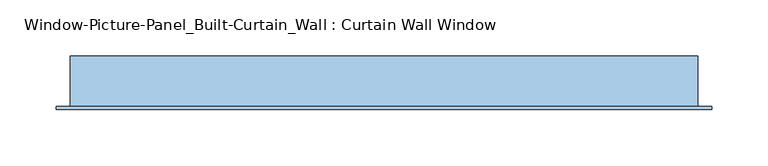
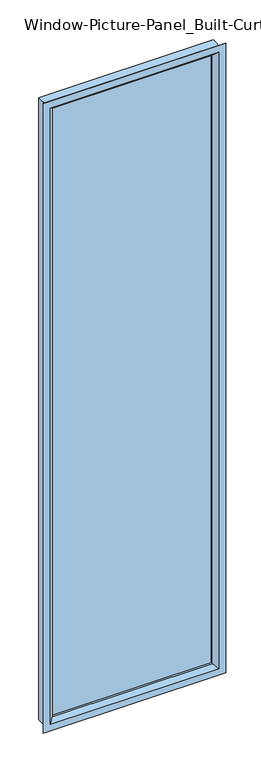
"""IFC4 building model written with IfcOpenShell, lengths in millimetres: window geometry, Window-Picture-Panel_Built-Curtain_Wall : Curtain Wall Window."""

from ifc_helpers import new_model, si_unit, frame, origin, place, context, project, spatial, polyline, outline, extrude, faceted_brep, source, transform, mapped, element, save


def window_picture_panel_built_curtain_wall_curtain_wall_window_ada8a2e5(model_context):
    return source(origin(), model_context, "Body", "SolidModel", [
        extrude(outline(polyline([(266.7, -32.9044336), (-266.7, -32.9044336), (-266.7, -26.5544336), (266.7, -26.5544336), (266.7, -32.9044336)])), frame((0.0, 0.0, 12.7), z_axis=(0.0, 0.0, 1.0), x_axis=(1.0, 0.0, 0.0)), (0.0, 0.0, 1.0), 2082.8),
        faceted_brep([(-279.4, -5.5372, 2108.2), (-279.4, -5.5372, 0.0), (-279.4, -50.8, 0.0), (-279.4, -50.8, 2108.2), (-292.1, -50.8, -12.7), (-292.1, -50.8, 2120.9), (292.1, -50.8, 2120.9), (292.1, -50.8, -12.7), (279.4, -50.8, 0.0), (279.4, -50.8, 2108.2), (279.4, -5.5372, 0.0), (279.4, -5.5372, 2108.2), (-257.1839566, -5.5372, 2085.9839566), (-257.1839566, -5.5372, 22.2160434), (257.1839566, -5.5372, 22.2160434), (257.1839566, -5.5372, 2085.9839566), (-257.1839566, -26.5544336, 2085.9839566), (-257.1839566, -26.5544336, 22.2160434), (257.1839566, -26.5544336, 22.2160434), (-266.7, -26.5544336, 2095.5), (-266.7, -26.5544336, 12.7), (266.7, -26.5544336, 12.7), (266.7, -26.5544336, 2095.5), (257.1839566, -26.5544336, 2085.9839566), (-266.7, -32.9044336, 2095.5), (-266.7, -32.9044336, 12.7), (266.7, -32.9044336, 12.7), (266.7, -32.9044336, 2095.5), (-257.1839566, -32.9044336, 2085.9839566), (-257.1839566, -32.9044336, 22.2160434), (257.1839566, -32.9044336, 22.2160434), (257.1839566, -32.9044336, 2085.9839566), (-257.1839566, -40.4712173, 2085.9839566), (-257.1839566, -40.4712173, 22.2160434), (257.1839566, -40.4712173, 22.2160434), (-269.9149799, -53.1622, 2098.7149799), (-269.9149799, -53.1622, 9.4850201), (269.9149799, -53.1622, 9.4850201), (-292.1, -53.1622, 2120.9), (-292.1, -53.1622, -12.7), (292.1, -53.1622, -12.7), (292.1, -53.1622, 2120.9), (269.9149799, -53.1622, 2098.7149799), (257.1839566, -40.4712173, 2085.9839566)], [[[0, 1, 2, 3]], [[4, 5, 6, 7], [3, 2, 8, 9]], [[1, 10, 8, 2]], [[1, 0, 11, 10], [12, 13, 14, 15]], [[16, 17, 13, 12]], [[17, 18, 14, 13]], [[19, 20, 21, 22], [17, 16, 23, 18]], [[24, 25, 20, 19]], [[25, 26, 21, 20]], [[25, 24, 27, 26], [28, 29, 30, 31]], [[32, 33, 29, 28]], [[33, 34, 30, 29]], [[35, 36, 33, 32]], [[36, 37, 34, 33]], [[38, 39, 40, 41], [36, 35, 42, 37]], [[5, 4, 39, 38]], [[4, 7, 40, 39]], [[10, 11, 9, 8]], [[18, 23, 15, 14]], [[26, 27, 22, 21]], [[34, 43, 31, 30]], [[37, 42, 43, 34]], [[7, 6, 41, 40]], [[11, 0, 3, 9]], [[23, 16, 12, 15]], [[27, 24, 19, 22]], [[43, 32, 28, 31]], [[42, 35, 32, 43]], [[6, 5, 38, 41]]]),
    ])


if __name__ == "__main__":
    model = new_model("IFC4")
    model_context = context("Model", 3, world=origin())
    ifc_project = project(units=[si_unit("LENGTHUNIT", "METRE", prefix="MILLI")], contexts=[model_context])
    site = spatial("IfcSite", under=ifc_project)
    building = spatial("IfcBuilding", under=site)
    placement = place(None, origin())
    window_picture_panel_built_curtain_wall_curtain_wall_window_shape = window_picture_panel_built_curtain_wall_curtain_wall_window_ada8a2e5(model_context)
    element("IfcWindow", 1, ObjectType="Window-Picture-Panel_Built-Curtain_Wall : Curtain Wall Window", at=placement, inside=building, context=model_context, shape_type="MappedRepresentation", body=[
        mapped(window_picture_panel_built_curtain_wall_curtain_wall_window_shape, transform((0.0, 0.0, 0.0), x_axis=(1.0, 0.0, 0.0), y_axis=(0.0, 1.0, 0.0), z_axis=(0.0, 0.0, 1.0))),
    ])
    save(model, "model.ifc")
